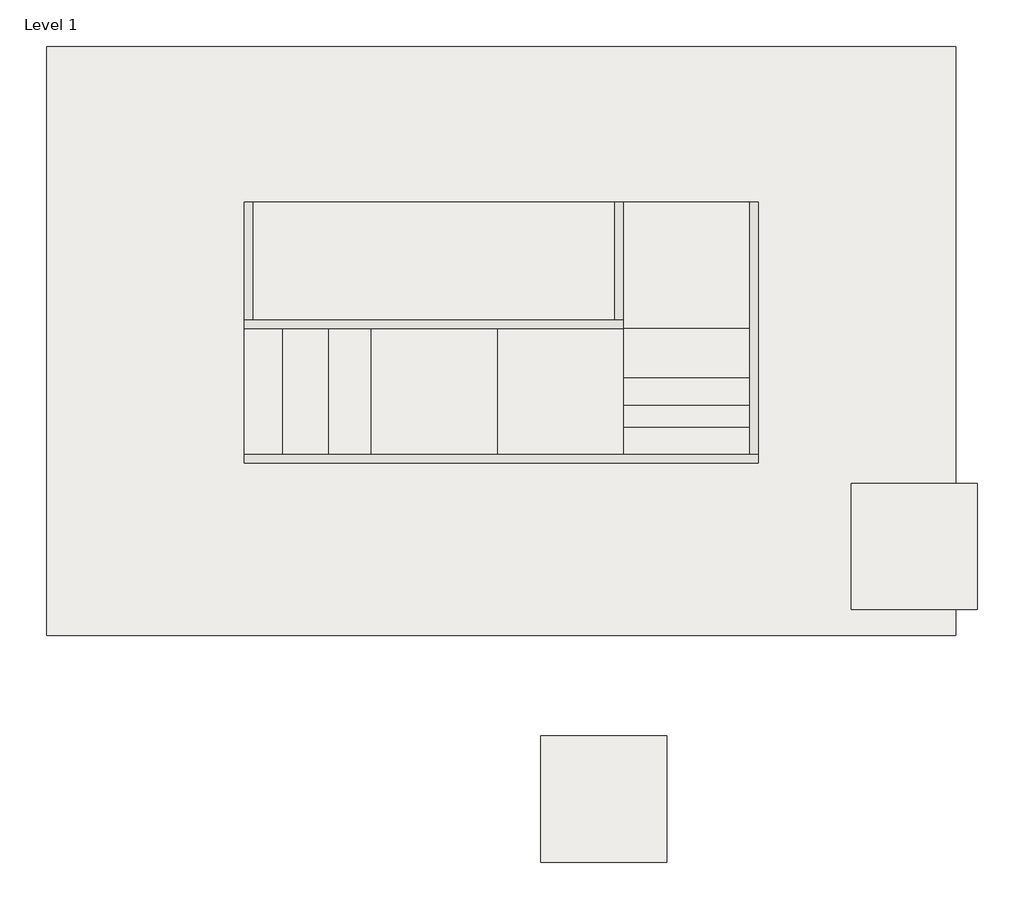
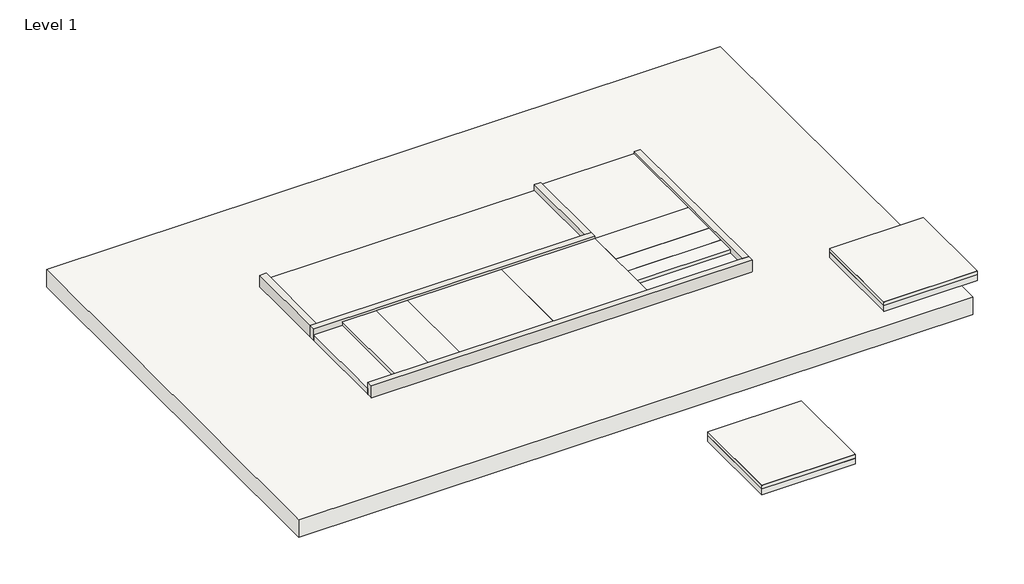
# One storey: 9 slabs, 5 walls.
"""IFC4 building model written with IfcOpenShell, lengths in millimetres."""

from ifc_helpers import new_model, si_unit, frame, origin, origin_with_axes, place, context, project, spatial, polyline, outline, extrude, faceted_brep, element, save

model = new_model("IFC4")

# Units and contexts
model_context = context("Model", 3, world=origin())
ifc_project = project(units=[si_unit("LENGTHUNIT", "METRE", prefix="MILLI")], contexts=[model_context])

# Site, building, storey
site = spatial("IfcSite", under=ifc_project)
building = spatial("IfcBuilding", under=site)
storey = spatial("IfcBuildingStorey", under=building, Name="Level 1", Elevation=0.0)

# Slabs
placement = place(None, origin())
element("IfcSlab", 1, at=placement, inside=storey, context=model_context, shape_type="SweptSolid", body=[
    extrude(outline(polyline([(2050.9650181, 3604.6441496), (2050.9650181, 2104.6441496), (1553.6576448, 2104.6441496), (1553.6576448, 3604.6441496), (2050.9650181, 3604.6441496)])), frame((0.0, 0.0, 160.0), z_axis=(0.0, 0.0, 1.0), x_axis=(1.0, 0.0, 0.0)), (0.0, 0.0, 1.0), 0.8),
    extrude(outline(polyline([(2050.9650181, 3604.6441496), (2050.9650181, 2104.6441496), (1007.1910938, 2104.6441496), (1007.1910938, 3604.6441496), (2050.9650181, 3604.6441496)])), frame((0.0, 0.0, 100.0), z_axis=(0.0, 0.0, 1.0), x_axis=(1.0, 0.0, 0.0)), (0.0, 0.0, 1.0), 60.0),
    extrude(outline(polyline([(2050.9650181, 3604.6441496), (2050.9650181, 2104.6441496), (550.9650181, 2104.6441496), (550.9650181, 3604.6441496), (2050.9650181, 3604.6441496)])), origin_with_axes(), (0.0, 0.0, 1.0), 100.0),
])
element("IfcSlab", 2, at=placement, inside=storey, context=model_context, shape_type="SweptSolid", body=[
    extrude(outline(polyline([(3550.9650181, 3604.6441496), (3550.9650181, 2104.6441496), (2050.9650181, 2104.6441496), (2050.9650181, 3604.6441496), (3550.9650181, 3604.6441496)])), origin_with_axes(), (0.0, 0.0, 1.0), 160.8),
])
element("IfcSlab", 3, at=placement, inside=storey, context=model_context, shape_type="SweptSolid", body=[
    extrude(outline(polyline([(5050.9650181, 3604.6441496), (5050.9650181, 2104.6441496), (3550.9650181, 2104.6441496), (3550.9650181, 3604.6441496), (5050.9650181, 3604.6441496)])), frame((0.0, 0.0, 160.0), z_axis=(0.0, 0.0, 1.0), x_axis=(1.0, 0.0, 0.0)), (0.0, 0.0, 1.0), 0.8),
    extrude(outline(polyline([(5050.9650181, 3604.6441496), (5050.9650181, 2104.6441496), (3550.9650181, 2104.6441496), (3550.9650181, 3604.6441496), (5050.9650181, 3604.6441496)])), frame((0.0, 0.0, 159.2), z_axis=(0.0, 0.0, 1.0), x_axis=(1.0, 0.0, 0.0)), (0.0, 0.0, 1.0), 0.8),
    extrude(outline(polyline([(5050.9650181, 3604.6441496), (5050.9650181, 2104.6441496), (3550.9650181, 2104.6441496), (3550.9650181, 3604.6441496), (5050.9650181, 3604.6441496)])), frame((0.0, 0.0, 99.2), z_axis=(0.0, 0.0, 1.0), x_axis=(1.0, 0.0, 0.0)), (0.0, 0.0, 1.0), 60.0),
    extrude(outline(polyline([(5050.9650181, 3604.6441496), (5050.9650181, 2104.6441496), (3550.9650181, 2104.6441496), (3550.9650181, 3604.6441496), (5050.9650181, 3604.6441496)])), frame((0.0, 0.0, -0.8), z_axis=(0.0, 0.0, 1.0), x_axis=(1.0, 0.0, 0.0)), (0.0, 0.0, 1.0), 100.0),
])
element("IfcSlab", 4, at=placement, inside=storey, context=model_context, shape_type="SweptSolid", body=[
    extrude(outline(polyline([(6550.9650181, 3604.6441496), (6550.9650181, 3021.5577687), (5050.9650181, 3021.5577687), (5050.9650181, 3604.6441496), (6550.9650181, 3604.6441496)])), frame((0.0, 0.0, 160.0), z_axis=(0.0, 0.0, 1.0), x_axis=(1.0, 0.0, 0.0)), (0.0, 0.0, 1.0), 0.8),
    extrude(outline(polyline([(6550.9650181, 3604.6441496), (6550.9650181, 2694.9819904), (5050.9650181, 2694.9819904), (5050.9650181, 3604.6441496), (6550.9650181, 3604.6441496)])), frame((0.0, 0.0, 159.2), z_axis=(0.0, 0.0, 1.0), x_axis=(1.0, 0.0, 0.0)), (0.0, 0.0, 1.0), 0.8),
    extrude(outline(polyline([(6550.9650181, 3604.6441496), (6550.9650181, 2431.4455261), (5050.9650181, 2431.4455261), (5050.9650181, 3604.6441496), (6550.9650181, 3604.6441496)])), frame((0.0, 0.0, 99.2), z_axis=(0.0, 0.0, 1.0), x_axis=(1.0, 0.0, 0.0)), (0.0, 0.0, 1.0), 60.0),
    extrude(outline(polyline([(6550.9650181, 3604.6441496), (6550.9650181, 2104.6441496), (5050.9650181, 2104.6441496), (5050.9650181, 3604.6441496), (6550.9650181, 3604.6441496)])), frame((0.0, 0.0, -0.8), z_axis=(0.0, 0.0, 1.0), x_axis=(1.0, 0.0, 0.0)), (0.0, 0.0, 1.0), 100.0),
])
element("IfcSlab", 5, at=placement, inside=storey, context=model_context, shape_type="SweptSolid", body=[
    extrude(outline(polyline([(6550.9650181, 5104.6441496), (6550.9650181, 3604.6441496), (5050.9650181, 3604.6441496), (5050.9650181, 5104.6441496), (6550.9650181, 5104.6441496)])), frame((0.0, 0.0, 160.0), z_axis=(0.0, 0.0, 1.0), x_axis=(1.0, 0.0, 0.0)), (0.0, 0.0, 1.0), 0.8),
    extrude(outline(polyline([(6550.9650181, 5104.6441496), (6550.9650181, 3604.6441496), (5050.9650181, 3604.6441496), (5050.9650181, 5104.6441496), (6550.9650181, 5104.6441496)])), frame((0.0, 0.0, 159.2), z_axis=(0.0, 0.0, 1.0), x_axis=(1.0, 0.0, 0.0)), (0.0, 0.0, 1.0), 0.8),
    extrude(outline(polyline([(6550.9650181, 5104.6441496), (6550.9650181, 3604.6441496), (5050.9650181, 3604.6441496), (5050.9650181, 5104.6441496), (6550.9650181, 5104.6441496)])), frame((0.0, 0.0, 99.2), z_axis=(0.0, 0.0, 1.0), x_axis=(1.0, 0.0, 0.0)), (0.0, 0.0, 1.0), 60.0),
    extrude(outline(polyline([(6550.9650181, 5104.6441496), (6550.9650181, 3604.6441496), (5050.9650181, 3604.6441496), (5050.9650181, 5104.6441496), (6550.9650181, 5104.6441496)])), frame((0.0, 0.0, -0.8), z_axis=(0.0, 0.0, 1.0), x_axis=(1.0, 0.0, 0.0)), (0.0, 0.0, 1.0), 100.0),
])
element("IfcSlab", 6, at=placement, inside=storey, context=model_context, shape_type="SweptSolid", body=[
    extrude(outline(polyline([(9257.0426996, 1762.9165153), (9257.0426996, 262.9165153), (7757.0426996, 262.9165153), (7757.0426996, 1762.9165153), (9257.0426996, 1762.9165153)])), frame((0.0, 0.0, 160.0), z_axis=(0.0, 0.0, 1.0), x_axis=(1.0, 0.0, 0.0)), (0.0, 0.0, 1.0), 0.8),
    extrude(outline(polyline([(9257.0426996, 1762.9165153), (9257.0426996, 262.9165153), (7757.0426996, 262.9165153), (7757.0426996, 1762.9165153), (9257.0426996, 1762.9165153)])), frame((0.0, 0.0, 159.2), z_axis=(0.0, 0.0, 1.0), x_axis=(1.0, 0.0, 0.0)), (0.0, 0.0, 1.0), 0.8),
    extrude(outline(polyline([(9257.0426996, 1762.9165153), (9257.0426996, 262.9165153), (7757.0426996, 262.9165153), (7757.0426996, 1762.9165153), (9257.0426996, 1762.9165153)])), frame((0.0, 0.0, 99.2), z_axis=(0.0, 0.0, 1.0), x_axis=(1.0, 0.0, 0.0)), (0.0, 0.0, 1.0), 60.0),
    extrude(outline(polyline([(9257.0426996, 1762.9165153), (9257.0426996, 262.9165153), (7757.0426996, 262.9165153), (7757.0426996, 1762.9165153), (9257.0426996, 1762.9165153)])), frame((0.0, 0.0, -0.8), z_axis=(0.0, 0.0, 1.0), x_axis=(1.0, 0.0, 0.0)), (0.0, 0.0, 1.0), 100.0),
])
element("IfcSlab", 7, at=placement, inside=storey, context=model_context, shape_type="SweptSolid", body=[
    extrude(outline(polyline([(5568.0507745, -1239.1605745), (5568.0507745, -2739.1605745), (4068.0507745, -2739.1605745), (4068.0507745, -1239.1605745), (5568.0507745, -1239.1605745)])), frame((0.0, 0.0, 160.0), z_axis=(0.0, 0.0, 1.0), x_axis=(1.0, 0.0, 0.0)), (0.0, 0.0, 1.0), 0.8),
    extrude(outline(polyline([(5568.0507745, -1239.1605745), (5568.0507745, -2739.1605745), (4068.0507745, -2739.1605745), (4068.0507745, -1239.1605745), (5568.0507745, -1239.1605745)])), frame((0.0, 0.0, 100.0), z_axis=(0.0, 0.0, 1.0), x_axis=(1.0, 0.0, 0.0)), (0.0, 0.0, 1.0), 60.0),
    extrude(outline(polyline([(5568.0507745, -1239.1605745), (5568.0507745, -2739.1605745), (4068.0507745, -2739.1605745), (4068.0507745, -1239.1605745), (5568.0507745, -1239.1605745)])), origin_with_axes(), (0.0, 0.0, 1.0), 100.0),
])
element("IfcSlab", 8, ObjectType="Floor 1", at=placement, inside=storey, context=model_context, shape_type="SweptSolid", body=[
    extrude(outline(polyline([(9000.9650181, 6954.6441496), (9000.9650181, -45.3558504), (-1799.0349819, -45.3558504), (-1799.0349819, 6954.6441496), (9000.9650181, 6954.6441496)])), frame((0.0, 0.0, -300.0), z_axis=(0.0, 0.0, 1.0), x_axis=(1.0, 0.0, 0.0)), (0.0, 0.0, 1.0), 300.0),
])
element("IfcSlab", 9, ObjectType="Grass", at=placement, inside=storey, context=model_context, shape_type="SweptSolid", body=[
    extrude(outline(polyline([(4950.9650181, 5104.6441496), (4950.9650181, 3704.6441496), (650.9650181, 3704.6441496), (650.9650181, 5104.6441496), (4950.9650181, 5104.6441496)])), origin_with_axes(), (0.0, 0.0, 1.0), 100.0),
])

# Walls
element("IfcWall", 10, ObjectType="sidewalk curb", at=placement, inside=storey, context=model_context, shape_type="Brep", body=[
    faceted_brep([(550.9650181, 3604.6441496, 0.0), (5050.9650181, 3604.6441496, 0.0), (5050.9650181, 3604.6441496, 200.0), (550.9650181, 3604.6441496, 200.0), (550.9650181, 3704.6441496, 0.0), (550.9650181, 3704.6441496, 200.0), (650.9650181, 3704.6441496, 200.0), (4950.9650181, 3704.6441496, 200.0), (5050.9650181, 3704.6441496, 200.0), (5050.9650181, 3704.6441496, 0.0), (4950.9650181, 3704.6441496, 0.0), (650.9650181, 3704.6441496, 0.0)], [[[0, 1, 2, 3]], [[4, 5, 6, 7, 8, 9, 10, 11]], [[1, 0, 4, 11, 10, 9]], [[3, 2, 8, 7, 6, 5]], [[2, 1, 9, 8]], [[0, 3, 5, 4]]]),
])
element("IfcWall", 11, ObjectType="sidewalk curb", at=placement, inside=storey, context=model_context, shape_type="SweptSolid", body=[
    extrude(outline(polyline([(5050.9650181, 5104.6441496), (5050.9650181, 3704.6441496), (4950.9650181, 3704.6441496), (4950.9650181, 5104.6441496), (5050.9650181, 5104.6441496)])), origin_with_axes(), (0.0, 0.0, 1.0), 200.0),
])
element("IfcWall", 12, ObjectType="sidewalk curb", at=placement, inside=storey, context=model_context, shape_type="Brep", body=[
    faceted_brep([(550.9650181, 2004.6441496, 0.0), (6650.9650181, 2004.6441496, 0.0), (6650.9650181, 2004.6441496, 200.0), (550.9650181, 2004.6441496, 200.0), (550.9650181, 2104.6441496, 0.0), (550.9650181, 2104.6441496, 200.0), (6550.9650181, 2104.6441496, 200.0), (6650.9650181, 2104.6441496, 200.0), (6650.9650181, 2104.6441496, 0.0), (6550.9650181, 2104.6441496, 0.0)], [[[0, 1, 2, 3]], [[4, 5, 6, 7, 8, 9]], [[1, 0, 4, 9, 8]], [[3, 2, 7, 6, 5]], [[0, 3, 5, 4]], [[2, 1, 8, 7]]]),
])
element("IfcWall", 13, ObjectType="sidewalk curb", at=placement, inside=storey, context=model_context, shape_type="SweptSolid", body=[
    extrude(outline(polyline([(650.9650181, 5104.6441496), (650.9650181, 3704.6441496), (550.9650181, 3704.6441496), (550.9650181, 5104.6441496), (650.9650181, 5104.6441496)])), origin_with_axes(), (0.0, 0.0, 1.0), 200.0),
])
element("IfcWall", 14, ObjectType="sidewalk curb", at=placement, inside=storey, context=model_context, shape_type="SweptSolid", body=[
    extrude(outline(polyline([(6550.9650181, 2104.6441496), (6550.9650181, 5104.6441496), (6650.9650181, 5104.6441496), (6650.9650181, 2104.6441496), (6550.9650181, 2104.6441496)])), origin_with_axes(), (0.0, 0.0, 1.0), 200.0),
])

save(model, "model.ifc")
